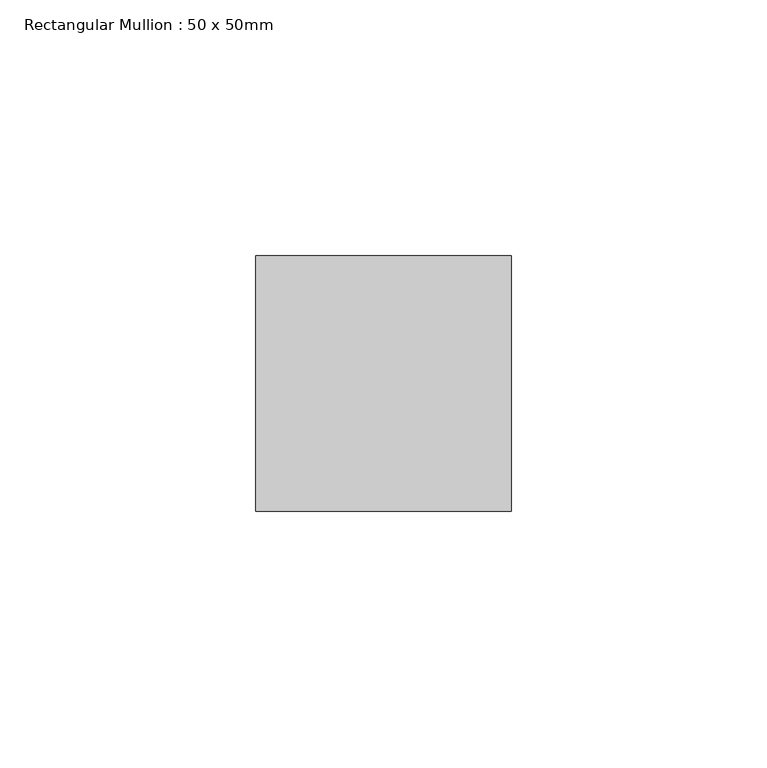
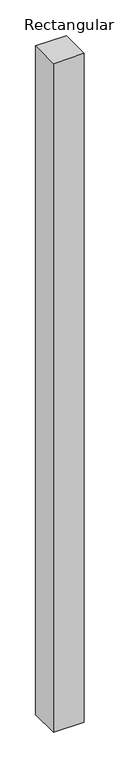
"""IFC4 building model written with IfcOpenShell, lengths in millimetres: member geometry, Rectangular Mullion : 50 x 50mm."""

from ifc_helpers import new_model, si_unit, frame, origin, place, context, project, spatial, polyline, outline, extrude, source, transform, mapped, element, save


def rectangular_mullion_50_x_50mm_6c7334e3(model_context):
    return source(origin(), model_context, "Body", "SweptSolid", [
        extrude(outline(polyline([(0.0, 50.0), (0.0, 0.0), (-50.0, 0.0), (-50.0, 50.0), (0.0, 50.0)])), frame((0.0, 0.0, -1143.2), z_axis=(0.0, 0.0, 1.0), x_axis=(1.0, 0.0, 0.0)), (0.0, 0.0, 1.0), 1143.2),
    ])


if __name__ == "__main__":
    model = new_model("IFC4")
    model_context = context("Model", 3, world=origin())
    ifc_project = project(units=[si_unit("LENGTHUNIT", "METRE", prefix="MILLI")], contexts=[model_context])
    site = spatial("IfcSite", under=ifc_project)
    building = spatial("IfcBuilding", under=site)
    placement = place(None, origin())
    rectangular_mullion_50_x_50mm_shape = rectangular_mullion_50_x_50mm_6c7334e3(model_context)
    element("IfcMember", 1, ObjectType="Rectangular Mullion : 50 x 50mm", at=placement, inside=building, context=model_context, shape_type="MappedRepresentation", body=[
        mapped(rectangular_mullion_50_x_50mm_shape, transform((0.0, 0.0, 0.0), x_axis=(1.0, 0.0, 0.0), y_axis=(0.0, 1.0, 0.0), z_axis=(0.0, 0.0, 1.0))),
    ])
    save(model, "model.ifc")
